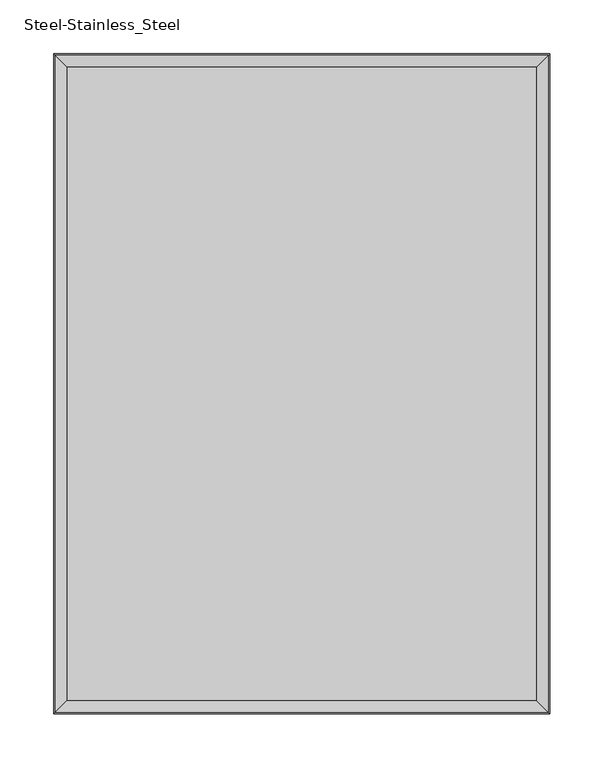
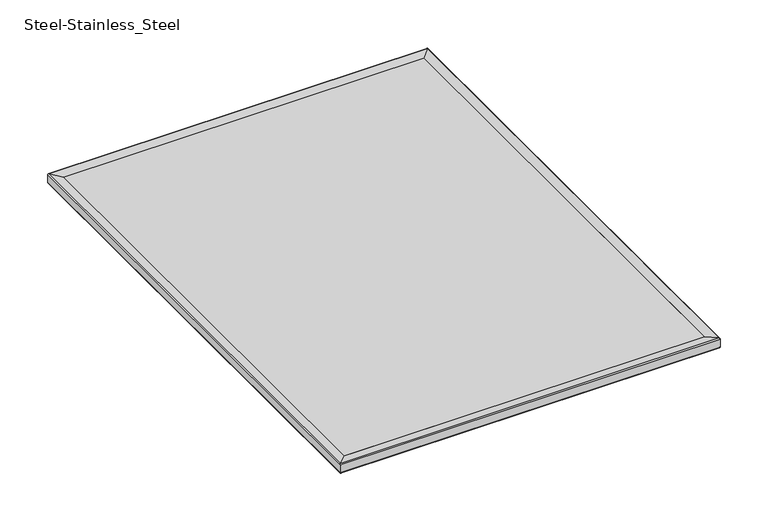
"""IFC4 building model written with IfcOpenShell, lengths in millimetres: proxy geometry, Steel-Stainless_Steel."""

from ifc_helpers import new_model, si_unit, frame, origin, place, context, project, spatial, polyline, circle_curve, ellipse_curve, source, transform, mapped, element, save
from ifc_brep_helpers import plane_surface, cylinder_surface, revolved_surface, advanced_brep


def steel_stainless_steel_c0c0e2ec(model_context):
    return source(origin(), model_context, "Body", "AdvancedBrep", [
        advanced_brep(
        [(217.347165, 293.547165, 11.40206), (-217.347165, 293.547165, 11.40206), (-217.347165, -293.547165, 11.40206), (217.347165, -293.547165, 11.40206), (217.347165, 293.547165, 0.0), (217.347165, -293.547165, 0.0), (-217.347165, -293.547165, 0.0), (-217.347165, 293.547165, 0.0), (-192.925065, 187.9443237, 0.0), (-192.925065, 195.426965, 0.0), (-198.005065, 195.426965, 0.0), (-198.005065, 187.9443237, 0.0), (-201.6984237, 184.250965, 0.0), (-209.181065, 184.250965, 0.0), (-209.181065, 179.170965, 0.0), (-202.196065, 179.170965, 0.0), (-202.196065, 163.930965, 0.0), (-199.656065, 163.930965, 0.0), (-199.656065, 181.710965, 0.0), (-191.274065, 181.710965, 0.0), (-191.274065, 163.930965, 0.0), (-188.734065, 163.930965, 0.0), (-188.734065, 179.170965, 0.0), (-181.749065, 179.170965, 0.0), (-181.749065, 184.250965, 0.0), (-189.2317063, 184.250965, 0.0), (198.119365, 195.426965, 0.0), (193.039365, 195.426965, 0.0), (193.039365, 187.9443237, 0.0), (189.3460063, 184.250965, 0.0), (181.863365, 184.250965, 0.0), (181.863365, 179.170965, 0.0), (188.848365, 179.170965, 0.0), (188.848365, 163.930965, 0.0), (191.388365, 163.930965, 0.0), (191.388365, 181.710965, 0.0), (199.770365, 181.710965, 0.0), (199.770365, 163.930965, 0.0), (202.310365, 163.930965, 0.0), (202.310365, 179.170965, 0.0), (209.295365, 179.170965, 0.0), (209.295365, 184.250965, 0.0), (201.8127237, 184.250965, 0.0), (198.119365, 187.9443237, 0.0), (198.119365, -191.807465, 0.0), (193.039365, -191.807465, 0.0), (193.039365, -199.2901063, 0.0), (189.3460063, -202.983465, 0.0), (181.863365, -202.983465, 0.0), (181.863365, -208.063465, 0.0), (188.848365, -208.063465, 0.0), (188.848365, -223.303465, 0.0), (191.388365, -223.303465, 0.0), (191.388365, -205.523465, 0.0), (199.770365, -205.523465, 0.0), (199.770365, -223.303465, 0.0), (202.310365, -223.303465, 0.0), (202.310365, -208.063465, 0.0), (209.295365, -208.063465, 0.0), (209.295365, -202.983465, 0.0), (201.8127237, -202.983465, 0.0), (198.119365, -199.2901063, 0.0), (-192.925065, -199.2901063, 0.0), (-192.925065, -191.807465, 0.0), (-198.005065, -191.807465, 0.0), (-198.005065, -199.2901063, 0.0), (-201.6984237, -202.983465, 0.0), (-209.181065, -202.983465, 0.0), (-209.181065, -208.063465, 0.0), (-202.196065, -208.063465, 0.0), (-202.196065, -223.303465, 0.0), (-199.656065, -223.303465, 0.0), (-199.656065, -205.523465, 0.0), (-191.274065, -205.523465, 0.0), (-191.274065, -223.303465, 0.0), (-188.734065, -223.303465, 0.0), (-188.734065, -208.063465, 0.0), (-181.749065, -208.063465, 0.0), (-181.749065, -202.983465, 0.0), (-189.2317063, -202.983465, 0.0), (-192.925065, 187.9443237, 3.8928556), (-189.2317063, 184.250965, 3.8928556), (-181.749065, 184.250965, 3.8928556), (-181.749065, 179.170965, 3.8928556), (-188.734065, 179.170965, 3.8928556), (-188.734065, 163.930965, 3.8928556), (-191.274065, 163.930965, 3.8928556), (-191.274065, 181.710965, 3.8928556), (-199.656065, 181.710965, 3.8928556), (-199.656065, 163.930965, 3.8928556), (-202.196065, 163.930965, 3.8928556), (-202.196065, 179.170965, 3.8928556), (-209.181065, 179.170965, 3.8928556), (-209.181065, 184.250965, 3.8928556), (-201.6984237, 184.250965, 3.8928556), (-198.005065, 187.9443237, 3.8928556), (-198.005065, 195.426965, 3.8928556), (-192.925065, 195.426965, 3.8928556), (198.119365, 195.426965, 3.8928556), (198.119365, 187.9443237, 3.8928556), (201.8127237, 184.250965, 3.8928556), (209.295365, 184.250965, 3.8928556), (209.295365, 179.170965, 3.8928556), (202.310365, 179.170965, 3.8928556), (202.310365, 163.930965, 3.8928556), (199.770365, 163.930965, 3.8928556), (199.770365, 181.710965, 3.8928556), (191.388365, 181.710965, 3.8928556), (191.388365, 163.930965, 3.8928556), (188.848365, 163.930965, 3.8928556), (188.848365, 179.170965, 3.8928556), (181.863365, 179.170965, 3.8928556), (181.863365, 184.250965, 3.8928556), (189.3460063, 184.250965, 3.8928556), (193.039365, 187.9443237, 3.8928556), (193.039365, 195.426965, 3.8928556), (198.119365, -191.807465, 3.8928556), (198.119365, -199.2901063, 3.8928556), (201.8127237, -202.983465, 3.8928556), (209.295365, -202.983465, 3.8928556), (209.295365, -208.063465, 3.8928556), (202.310365, -208.063465, 3.8928556), (202.310365, -223.303465, 3.8928556), (199.770365, -223.303465, 3.8928556), (199.770365, -205.523465, 3.8928556), (191.388365, -205.523465, 3.8928556), (191.388365, -223.303465, 3.8928556), (188.848365, -223.303465, 3.8928556), (188.848365, -208.063465, 3.8928556), (181.863365, -208.063465, 3.8928556), (181.863365, -202.983465, 3.8928556), (189.3460063, -202.983465, 3.8928556), (193.039365, -199.2901063, 3.8928556), (193.039365, -191.807465, 3.8928556), (-192.925065, -199.2901063, 3.8928556), (-189.2317063, -202.983465, 3.8928556), (-181.749065, -202.983465, 3.8928556), (-181.749065, -208.063465, 3.8928556), (-188.734065, -208.063465, 3.8928556), (-188.734065, -223.303465, 3.8928556), (-191.274065, -223.303465, 3.8928556), (-191.274065, -205.523465, 3.8928556), (-199.656065, -205.523465, 3.8928556), (-199.656065, -223.303465, 3.8928556), (-202.196065, -223.303465, 3.8928556), (-202.196065, -208.063465, 3.8928556), (-209.181065, -208.063465, 3.8928556), (-209.181065, -202.983465, 3.8928556), (-201.6984237, -202.983465, 3.8928556), (-198.005065, -199.2901063, 3.8928556), (-198.005065, -191.807465, 3.8928556), (-192.925065, -191.807465, 3.8928556)],
        [
            (0, 1),
            (1, 2),
            (2, 3),
            (3, 0),
            (4, 5),
            (5, 6),
            (6, 7),
            (7, 4),
            (8, 9),
            (9, 10, circle_curve(frame((-195.465065, 195.426965, 0.0), z_axis=(0.0, 0.0, 1.0), x_axis=(1.0, 0.0, 0.0)), 2.54)),
            (10, 11),
            (11, 12, circle_curve(frame((-195.465065, 181.710965, 0.0), z_axis=(0.0, 0.0, 1.0), x_axis=(1.0, 0.0, 0.0)), 6.731)),
            (12, 13),
            (13, 14, circle_curve(frame((-209.181065, 181.710965, 0.0), z_axis=(0.0, 0.0, 1.0), x_axis=(1.0, 0.0, 0.0)), 2.54)),
            (14, 15),
            (15, 16),
            (16, 17, circle_curve(frame((-200.926065, 163.930965, 0.0), z_axis=(0.0, 0.0, 1.0), x_axis=(1.0, 0.0, 0.0)), 1.27)),
            (17, 18),
            (18, 19, circle_curve(frame((-195.465065, 181.710965, 0.0), z_axis=(0.0, 0.0, -1.0), x_axis=(1.0, 0.0, 0.0)), 4.191)),
            (19, 20),
            (20, 21, circle_curve(frame((-190.004065, 163.930965, 0.0), z_axis=(0.0, 0.0, 1.0), x_axis=(1.0, 0.0, 0.0)), 1.27)),
            (21, 22),
            (22, 23),
            (23, 24, circle_curve(frame((-181.749065, 181.710965, 0.0), z_axis=(0.0, 0.0, 1.0), x_axis=(1.0, 0.0, 0.0)), 2.54)),
            (24, 25),
            (25, 8, circle_curve(frame((-195.465065, 181.710965, 0.0), z_axis=(0.0, 0.0, 1.0), x_axis=(1.0, 0.0, 0.0)), 6.731)),
            (26, 27, circle_curve(frame((195.579365, 195.426965, 0.0), z_axis=(0.0, 0.0, 1.0), x_axis=(1.0, 0.0, 0.0)), 2.54)),
            (27, 28),
            (28, 29, circle_curve(frame((195.579365, 181.710965, 0.0), z_axis=(0.0, 0.0, 1.0), x_axis=(1.0, 0.0, 0.0)), 6.731)),
            (29, 30),
            (30, 31, circle_curve(frame((181.863365, 181.710965, 0.0), z_axis=(0.0, 0.0, 1.0), x_axis=(1.0, 0.0, 0.0)), 2.54)),
            (31, 32),
            (32, 33),
            (33, 34, circle_curve(frame((190.118365, 163.930965, 0.0), z_axis=(0.0, 0.0, 1.0), x_axis=(1.0, 0.0, 0.0)), 1.27)),
            (34, 35),
            (35, 36, circle_curve(frame((195.579365, 181.710965, 0.0), z_axis=(0.0, 0.0, -1.0), x_axis=(1.0, 0.0, 0.0)), 4.191)),
            (36, 37),
            (37, 38, circle_curve(frame((201.040365, 163.930965, 0.0), z_axis=(0.0, 0.0, 1.0), x_axis=(1.0, 0.0, 0.0)), 1.27)),
            (38, 39),
            (39, 40),
            (40, 41, circle_curve(frame((209.295365, 181.710965, 0.0), z_axis=(0.0, 0.0, 1.0), x_axis=(1.0, 0.0, 0.0)), 2.54)),
            (41, 42),
            (42, 43, circle_curve(frame((195.579365, 181.710965, 0.0), z_axis=(0.0, 0.0, 1.0), x_axis=(1.0, 0.0, 0.0)), 6.731)),
            (43, 26),
            (44, 45, circle_curve(frame((195.579365, -191.807465, 0.0), z_axis=(0.0, 0.0, 1.0), x_axis=(1.0, 0.0, 0.0)), 2.54)),
            (45, 46),
            (46, 47, circle_curve(frame((195.579365, -205.523465, 0.0), z_axis=(0.0, 0.0, 1.0), x_axis=(1.0, 0.0, 0.0)), 6.731)),
            (47, 48),
            (48, 49, circle_curve(frame((181.863365, -205.523465, 0.0), z_axis=(0.0, 0.0, 1.0), x_axis=(1.0, 0.0, 0.0)), 2.54)),
            (49, 50),
            (50, 51),
            (51, 52, circle_curve(frame((190.118365, -223.303465, 0.0), z_axis=(0.0, 0.0, 1.0), x_axis=(1.0, 0.0, 0.0)), 1.27)),
            (52, 53),
            (53, 54, circle_curve(frame((195.579365, -205.523465, 0.0), z_axis=(0.0, 0.0, -1.0), x_axis=(1.0, 0.0, 0.0)), 4.191)),
            (54, 55),
            (55, 56, circle_curve(frame((201.040365, -223.303465, 0.0), z_axis=(0.0, 0.0, 1.0), x_axis=(1.0, 0.0, 0.0)), 1.27)),
            (56, 57),
            (57, 58),
            (58, 59, circle_curve(frame((209.295365, -205.523465, 0.0), z_axis=(0.0, 0.0, 1.0), x_axis=(1.0, 0.0, 0.0)), 2.54)),
            (59, 60),
            (60, 61, circle_curve(frame((195.579365, -205.523465, 0.0), z_axis=(0.0, 0.0, 1.0), x_axis=(1.0, 0.0, 0.0)), 6.731)),
            (61, 44),
            (62, 63),
            (63, 64, circle_curve(frame((-195.465065, -191.807465, 0.0), z_axis=(0.0, 0.0, 1.0), x_axis=(1.0, 0.0, 0.0)), 2.54)),
            (64, 65),
            (65, 66, circle_curve(frame((-195.465065, -205.523465, 0.0), z_axis=(0.0, 0.0, 1.0), x_axis=(1.0, 0.0, 0.0)), 6.731)),
            (66, 67),
            (67, 68, circle_curve(frame((-209.181065, -205.523465, 0.0), z_axis=(0.0, 0.0, 1.0), x_axis=(1.0, 0.0, 0.0)), 2.54)),
            (68, 69),
            (69, 70),
            (70, 71, circle_curve(frame((-200.926065, -223.303465, 0.0), z_axis=(0.0, 0.0, 1.0), x_axis=(1.0, 0.0, 0.0)), 1.27)),
            (71, 72),
            (72, 73, circle_curve(frame((-195.465065, -205.523465, 0.0), z_axis=(0.0, 0.0, -1.0), x_axis=(1.0, 0.0, 0.0)), 4.191)),
            (73, 74),
            (74, 75, circle_curve(frame((-190.004065, -223.303465, 0.0), z_axis=(0.0, 0.0, 1.0), x_axis=(1.0, 0.0, 0.0)), 1.27)),
            (75, 76),
            (76, 77),
            (77, 78, circle_curve(frame((-181.749065, -205.523465, 0.0), z_axis=(0.0, 0.0, 1.0), x_axis=(1.0, 0.0, 0.0)), 2.54)),
            (78, 79),
            (79, 62, circle_curve(frame((-195.465065, -205.523465, 0.0), z_axis=(0.0, 0.0, 1.0), x_axis=(1.0, 0.0, 0.0)), 6.731)),
            (0, 4),
            (7, 1),
            (6, 2),
            (5, 3),
            (80, 81, circle_curve(frame((-195.465065, 181.710965, 3.8928556), z_axis=(0.0, 0.0, -1.0), x_axis=(1.0, 0.0, 0.0)), 6.731)),
            (81, 82),
            (82, 83, circle_curve(frame((-181.749065, 181.710965, 3.8928556), z_axis=(0.0, 0.0, -1.0), x_axis=(1.0, 0.0, 0.0)), 2.54)),
            (83, 84),
            (84, 85),
            (85, 86, circle_curve(frame((-190.004065, 163.930965, 3.8928556), z_axis=(0.0, 0.0, -1.0), x_axis=(1.0, 0.0, 0.0)), 1.27)),
            (86, 87),
            (87, 88, circle_curve(frame((-195.465065, 181.710965, 3.8928556), z_axis=(0.0, 0.0, 1.0), x_axis=(1.0, 0.0, 0.0)), 4.191)),
            (88, 89),
            (89, 90, circle_curve(frame((-200.926065, 163.930965, 3.8928556), z_axis=(0.0, 0.0, -1.0), x_axis=(1.0, 0.0, 0.0)), 1.27)),
            (90, 91),
            (91, 92),
            (92, 93, circle_curve(frame((-209.181065, 181.710965, 3.8928556), z_axis=(0.0, 0.0, -1.0), x_axis=(1.0, 0.0, 0.0)), 2.54)),
            (93, 94),
            (94, 95, circle_curve(frame((-195.465065, 181.710965, 3.8928556), z_axis=(0.0, 0.0, -1.0), x_axis=(1.0, 0.0, 0.0)), 6.731)),
            (95, 96),
            (96, 97, circle_curve(frame((-195.465065, 195.426965, 3.8928556), z_axis=(0.0, 0.0, -1.0), x_axis=(1.0, 0.0, 0.0)), 2.54)),
            (97, 80),
            (98, 99),
            (99, 100, circle_curve(frame((195.579365, 181.710965, 3.8928556), z_axis=(0.0, 0.0, -1.0), x_axis=(1.0, 0.0, 0.0)), 6.731)),
            (100, 101),
            (101, 102, circle_curve(frame((209.295365, 181.710965, 3.8928556), z_axis=(0.0, 0.0, -1.0), x_axis=(1.0, 0.0, 0.0)), 2.54)),
            (102, 103),
            (103, 104),
            (104, 105, circle_curve(frame((201.040365, 163.930965, 3.8928556), z_axis=(0.0, 0.0, -1.0), x_axis=(1.0, 0.0, 0.0)), 1.27)),
            (105, 106),
            (106, 107, circle_curve(frame((195.579365, 181.710965, 3.8928556), z_axis=(0.0, 0.0, 1.0), x_axis=(1.0, 0.0, 0.0)), 4.191)),
            (107, 108),
            (108, 109, circle_curve(frame((190.118365, 163.930965, 3.8928556), z_axis=(0.0, 0.0, -1.0), x_axis=(1.0, 0.0, 0.0)), 1.27)),
            (109, 110),
            (110, 111),
            (111, 112, circle_curve(frame((181.863365, 181.710965, 3.8928556), z_axis=(0.0, 0.0, -1.0), x_axis=(1.0, 0.0, 0.0)), 2.54)),
            (112, 113),
            (113, 114, circle_curve(frame((195.579365, 181.710965, 3.8928556), z_axis=(0.0, 0.0, -1.0), x_axis=(1.0, 0.0, 0.0)), 6.731)),
            (114, 115),
            (115, 98, circle_curve(frame((195.579365, 195.426965, 3.8928556), z_axis=(0.0, 0.0, -1.0), x_axis=(1.0, 0.0, 0.0)), 2.54)),
            (116, 117),
            (117, 118, circle_curve(frame((195.579365, -205.523465, 3.8928556), z_axis=(0.0, 0.0, -1.0), x_axis=(1.0, 0.0, 0.0)), 6.731)),
            (118, 119),
            (119, 120, circle_curve(frame((209.295365, -205.523465, 3.8928556), z_axis=(0.0, 0.0, -1.0), x_axis=(1.0, 0.0, 0.0)), 2.54)),
            (120, 121),
            (121, 122),
            (122, 123, circle_curve(frame((201.040365, -223.303465, 3.8928556), z_axis=(0.0, 0.0, -1.0), x_axis=(1.0, 0.0, 0.0)), 1.27)),
            (123, 124),
            (124, 125, circle_curve(frame((195.579365, -205.523465, 3.8928556), z_axis=(0.0, 0.0, 1.0), x_axis=(1.0, 0.0, 0.0)), 4.191)),
            (125, 126),
            (126, 127, circle_curve(frame((190.118365, -223.303465, 3.8928556), z_axis=(0.0, 0.0, -1.0), x_axis=(1.0, 0.0, 0.0)), 1.27)),
            (127, 128),
            (128, 129),
            (129, 130, circle_curve(frame((181.863365, -205.523465, 3.8928556), z_axis=(0.0, 0.0, -1.0), x_axis=(1.0, 0.0, 0.0)), 2.54)),
            (130, 131),
            (131, 132, circle_curve(frame((195.579365, -205.523465, 3.8928556), z_axis=(0.0, 0.0, -1.0), x_axis=(1.0, 0.0, 0.0)), 6.731)),
            (132, 133),
            (133, 116, circle_curve(frame((195.579365, -191.807465, 3.8928556), z_axis=(0.0, 0.0, -1.0), x_axis=(1.0, 0.0, 0.0)), 2.54)),
            (134, 135, circle_curve(frame((-195.465065, -205.523465, 3.8928556), z_axis=(0.0, 0.0, -1.0), x_axis=(1.0, 0.0, 0.0)), 6.731)),
            (135, 136),
            (136, 137, circle_curve(frame((-181.749065, -205.523465, 3.8928556), z_axis=(0.0, 0.0, -1.0), x_axis=(1.0, 0.0, 0.0)), 2.54)),
            (137, 138),
            (138, 139),
            (139, 140, circle_curve(frame((-190.004065, -223.303465, 3.8928556), z_axis=(0.0, 0.0, -1.0), x_axis=(1.0, 0.0, 0.0)), 1.27)),
            (140, 141),
            (141, 142, circle_curve(frame((-195.465065, -205.523465, 3.8928556), z_axis=(0.0, 0.0, 1.0), x_axis=(1.0, 0.0, 0.0)), 4.191)),
            (142, 143),
            (143, 144, circle_curve(frame((-200.926065, -223.303465, 3.8928556), z_axis=(0.0, 0.0, -1.0), x_axis=(1.0, 0.0, 0.0)), 1.27)),
            (144, 145),
            (145, 146),
            (146, 147, circle_curve(frame((-209.181065, -205.523465, 3.8928556), z_axis=(0.0, 0.0, -1.0), x_axis=(1.0, 0.0, 0.0)), 2.54)),
            (147, 148),
            (148, 149, circle_curve(frame((-195.465065, -205.523465, 3.8928556), z_axis=(0.0, 0.0, -1.0), x_axis=(1.0, 0.0, 0.0)), 6.731)),
            (149, 150),
            (150, 151, circle_curve(frame((-195.465065, -191.807465, 3.8928556), z_axis=(0.0, 0.0, -1.0), x_axis=(1.0, 0.0, 0.0)), 2.54)),
            (151, 134),
            (97, 9),
            (8, 80),
            (96, 10),
            (95, 11),
            (94, 12),
            (93, 13),
            (92, 14),
            (91, 15),
            (90, 16),
            (89, 17),
            (88, 18),
            (87, 19),
            (86, 20),
            (85, 21),
            (84, 22),
            (83, 23),
            (82, 24),
            (81, 25),
            (115, 27),
            (26, 98),
            (114, 28),
            (113, 29),
            (112, 30),
            (111, 31),
            (110, 32),
            (109, 33),
            (108, 34),
            (107, 35),
            (106, 36),
            (105, 37),
            (104, 38),
            (103, 39),
            (102, 40),
            (101, 41),
            (100, 42),
            (99, 43),
            (133, 45),
            (44, 116),
            (132, 46),
            (131, 47),
            (130, 48),
            (129, 49),
            (128, 50),
            (127, 51),
            (126, 52),
            (125, 53),
            (124, 54),
            (123, 55),
            (122, 56),
            (121, 57),
            (120, 58),
            (119, 59),
            (118, 60),
            (117, 61),
            (151, 63),
            (62, 134),
            (150, 64),
            (149, 65),
            (148, 66),
            (147, 67),
            (146, 68),
            (145, 69),
            (144, 70),
            (143, 71),
            (142, 72),
            (141, 73),
            (140, 74),
            (139, 75),
            (138, 76),
            (137, 77),
            (136, 78),
            (135, 79),
        ],
        [
            plane_surface(frame((-217.347165, 293.547165, 11.40206), z_axis=(0.0, 0.0, 1.0), x_axis=(-1.0, 0.0, 0.0))),
            plane_surface(frame((-217.347165, 293.547165, 0.0), z_axis=(0.0, 0.0, -1.0), x_axis=(1.0, 0.0, 0.0))),
            plane_surface(frame((217.347165, 293.547165, 11.40206), z_axis=(0.0, 1.0, 0.0), x_axis=(0.0, 0.0, -1.0))),
            plane_surface(frame((-217.347165, 293.547165, 11.40206), z_axis=(-1.0, 0.0, 0.0), x_axis=(0.0, 0.0, -1.0))),
            plane_surface(frame((-217.347165, -293.547165, 11.40206), z_axis=(0.0, -1.0, 0.0), x_axis=(0.0, 0.0, -1.0))),
            plane_surface(frame((217.347165, -293.547165, 11.40206), z_axis=(1.0, 0.0, 0.0), x_axis=(0.0, 0.0, -1.0))),
            plane_surface(frame((-192.925065, 195.426965, 3.8928556), z_axis=(0.0, 0.0, -1.0), x_axis=(0.0, 1.0, 0.0))),
            plane_surface(frame((-192.925065, 187.9443237, 3.8928556), z_axis=(-1.0, 0.0, 0.0), x_axis=(0.0, 0.0, -1.0))),
            revolved_surface(polyline([(-192.92506500000002, 195.426965, 3.8928556), (-192.92506500000002, 195.426965, 0.0)]), (-195.465065, 195.426965, 0.0), (0.0, 0.0, 1.0)),
            plane_surface(frame((-198.005065, 195.426965, 3.8928556), z_axis=(1.0, 0.0, 0.0), x_axis=(0.0, 0.0, -1.0))),
            revolved_surface(polyline([(-188.73406500000002, 181.710965, 3.8928556), (-188.73406500000002, 181.710965, 0.0)]), (-195.465065, 181.710965, 0.0), (0.0, 0.0, 1.0)),
            plane_surface(frame((-201.6984237, 184.250965, 3.8928556), z_axis=(0.0, -1.0, 0.0), x_axis=(0.0, 0.0, -1.0))),
            revolved_surface(polyline([(-206.641065, 181.710965, 3.8928556), (-206.641065, 181.710965, 0.0)]), (-209.181065, 181.710965, 0.0), (0.0, 0.0, 1.0)),
            plane_surface(frame((-209.181065, 179.170965, 3.8928556), z_axis=(0.0, 1.0, 0.0), x_axis=(0.0, 0.0, -1.0))),
            plane_surface(frame((-202.196065, 179.170965, 3.8928556), z_axis=(1.0, 0.0, 0.0), x_axis=(0.0, 0.0, -1.0))),
            revolved_surface(polyline([(-199.65606499999998, 163.930965, 3.8928556), (-199.65606499999998, 163.930965, 0.0)]), (-200.926065, 163.930965, 0.0), (0.0, 0.0, 1.0)),
            plane_surface(frame((-199.656065, 163.930965, 3.8928556), z_axis=(-1.0, 0.0, 0.0), x_axis=(0.0, 0.0, -1.0))),
            cylinder_surface(frame((-195.465065, 181.710965, 0.0), z_axis=(0.0, 0.0, -1.0), x_axis=(1.0, 0.0, 0.0)), 4.191),
            plane_surface(frame((-191.274065, 181.710965, 3.8928556), z_axis=(1.0, 0.0, 0.0), x_axis=(0.0, 0.0, -1.0))),
            revolved_surface(polyline([(-188.734065, 163.930965, 3.8928556), (-188.734065, 163.930965, 0.0)]), (-190.004065, 163.930965, 0.0), (0.0, 0.0, 1.0)),
            plane_surface(frame((-188.734065, 163.930965, 3.8928556), z_axis=(-1.0, 0.0, 0.0), x_axis=(0.0, 0.0, -1.0))),
            plane_surface(frame((-188.734065, 179.170965, 3.8928556), z_axis=(0.0, 1.0, 0.0), x_axis=(0.0, 0.0, -1.0))),
            revolved_surface(polyline([(-179.209065, 181.710965, 3.8928556), (-179.209065, 181.710965, 0.0)]), (-181.749065, 181.710965, 0.0), (0.0, 0.0, 1.0)),
            plane_surface(frame((-181.749065, 184.250965, 3.8928556), z_axis=(0.0, -1.0, 0.0), x_axis=(0.0, 0.0, -1.0))),
            revolved_surface(polyline([(198.119365, 195.426965, 3.8928556), (198.119365, 195.426965, 0.0)]), (195.579365, 195.426965, 0.0), (0.0, 0.0, 1.0)),
            plane_surface(frame((193.039365, 195.426965, 3.8928556), z_axis=(1.0, 0.0, 0.0), x_axis=(0.0, 0.0, -1.0))),
            revolved_surface(polyline([(202.310365, 181.710965, 3.8928556), (202.310365, 181.710965, 0.0)]), (195.579365, 181.710965, 0.0), (0.0, 0.0, 1.0)),
            plane_surface(frame((189.3460063, 184.250965, 3.8928556), z_axis=(0.0, -1.0, 0.0), x_axis=(0.0, 0.0, -1.0))),
            revolved_surface(polyline([(184.40336499999998, 181.710965, 3.8928556), (184.40336499999998, 181.710965, 0.0)]), (181.863365, 181.710965, 0.0), (0.0, 0.0, 1.0)),
            plane_surface(frame((181.863365, 179.170965, 3.8928556), z_axis=(0.0, 1.0, 0.0), x_axis=(0.0, 0.0, -1.0))),
            plane_surface(frame((188.848365, 179.170965, 3.8928556), z_axis=(1.0, 0.0, 0.0), x_axis=(0.0, 0.0, -1.0))),
            revolved_surface(polyline([(191.38836500000002, 163.930965, 3.8928556), (191.38836500000002, 163.930965, 0.0)]), (190.118365, 163.930965, 0.0), (0.0, 0.0, 1.0)),
            plane_surface(frame((191.388365, 163.930965, 3.8928556), z_axis=(-1.0, 0.0, 0.0), x_axis=(0.0, 0.0, -1.0))),
            cylinder_surface(frame((195.579365, 181.710965, 0.0), z_axis=(0.0, 0.0, -1.0), x_axis=(1.0, 0.0, 0.0)), 4.191),
            plane_surface(frame((199.770365, 181.710965, 3.8928556), z_axis=(1.0, 0.0, 0.0), x_axis=(0.0, 0.0, -1.0))),
            revolved_surface(polyline([(202.31036500000002, 163.930965, 3.8928556), (202.31036500000002, 163.930965, 0.0)]), (201.040365, 163.930965, 0.0), (0.0, 0.0, 1.0)),
            plane_surface(frame((202.310365, 163.930965, 3.8928556), z_axis=(-1.0, 0.0, 0.0), x_axis=(0.0, 0.0, -1.0))),
            plane_surface(frame((202.310365, 179.170965, 3.8928556), z_axis=(0.0, 1.0, 0.0), x_axis=(0.0, 0.0, -1.0))),
            revolved_surface(polyline([(211.835365, 181.710965, 3.8928556), (211.835365, 181.710965, 0.0)]), (209.295365, 181.710965, 0.0), (0.0, 0.0, 1.0)),
            plane_surface(frame((209.295365, 184.250965, 3.8928556), z_axis=(0.0, -1.0, 0.0), x_axis=(0.0, 0.0, -1.0))),
            plane_surface(frame((198.119365, 187.9443237, 3.8928556), z_axis=(-1.0, 0.0, 0.0), x_axis=(0.0, 0.0, -1.0))),
            revolved_surface(polyline([(198.119365, -191.807465, 3.8928556), (198.119365, -191.807465, 0.0)]), (195.579365, -191.807465, 0.0), (0.0, 0.0, 1.0)),
            plane_surface(frame((193.039365, -191.807465, 3.8928556), z_axis=(1.0, 0.0, 0.0), x_axis=(0.0, 0.0, -1.0))),
            revolved_surface(polyline([(202.310365, -205.523465, 3.8928556), (202.310365, -205.523465, 0.0)]), (195.579365, -205.523465, 0.0), (0.0, 0.0, 1.0)),
            plane_surface(frame((189.3460063, -202.983465, 3.8928556), z_axis=(0.0, -1.0, 0.0), x_axis=(0.0, 0.0, -1.0))),
            revolved_surface(polyline([(184.40336499999998, -205.523465, 3.8928556), (184.40336499999998, -205.523465, 0.0)]), (181.863365, -205.523465, 0.0), (0.0, 0.0, 1.0)),
            plane_surface(frame((181.863365, -208.063465, 3.8928556), z_axis=(0.0, 1.0, 0.0), x_axis=(0.0, 0.0, -1.0))),
            plane_surface(frame((188.848365, -208.063465, 3.8928556), z_axis=(1.0, 0.0, 0.0), x_axis=(0.0, 0.0, -1.0))),
            revolved_surface(polyline([(191.38836500000002, -223.303465, 3.8928556), (191.38836500000002, -223.303465, 0.0)]), (190.118365, -223.303465, 0.0), (0.0, 0.0, 1.0)),
            plane_surface(frame((191.388365, -223.303465, 3.8928556), z_axis=(-1.0, 0.0, 0.0), x_axis=(0.0, 0.0, -1.0))),
            cylinder_surface(frame((195.579365, -205.523465, 0.0), z_axis=(0.0, 0.0, -1.0), x_axis=(1.0, 0.0, 0.0)), 4.191),
            plane_surface(frame((199.770365, -205.523465, 3.8928556), z_axis=(1.0, 0.0, 0.0), x_axis=(0.0, 0.0, -1.0))),
            revolved_surface(polyline([(202.31036500000002, -223.303465, 3.8928556), (202.31036500000002, -223.303465, 0.0)]), (201.040365, -223.303465, 0.0), (0.0, 0.0, 1.0)),
            plane_surface(frame((202.310365, -223.303465, 3.8928556), z_axis=(-1.0, 0.0, 0.0), x_axis=(0.0, 0.0, -1.0))),
            plane_surface(frame((202.310365, -208.063465, 3.8928556), z_axis=(0.0, 1.0, 0.0), x_axis=(0.0, 0.0, -1.0))),
            revolved_surface(polyline([(211.835365, -205.523465, 3.8928556), (211.835365, -205.523465, 0.0)]), (209.295365, -205.523465, 0.0), (0.0, 0.0, 1.0)),
            plane_surface(frame((209.295365, -202.983465, 3.8928556), z_axis=(0.0, -1.0, 0.0), x_axis=(0.0, 0.0, -1.0))),
            plane_surface(frame((198.119365, -199.2901063, 3.8928556), z_axis=(-1.0, 0.0, 0.0), x_axis=(0.0, 0.0, -1.0))),
            plane_surface(frame((-192.925065, -199.2901063, 3.8928556), z_axis=(-1.0, 0.0, 0.0), x_axis=(0.0, 0.0, -1.0))),
            revolved_surface(polyline([(-192.92506500000002, -191.807465, 3.8928556), (-192.92506500000002, -191.807465, 0.0)]), (-195.465065, -191.807465, 0.0), (0.0, 0.0, 1.0)),
            plane_surface(frame((-198.005065, -191.807465, 3.8928556), z_axis=(1.0, 0.0, 0.0), x_axis=(0.0, 0.0, -1.0))),
            revolved_surface(polyline([(-188.73406500000002, -205.523465, 3.8928556), (-188.73406500000002, -205.523465, 0.0)]), (-195.465065, -205.523465, 0.0), (0.0, 0.0, 1.0)),
            plane_surface(frame((-201.6984237, -202.983465, 3.8928556), z_axis=(0.0, -1.0, 0.0), x_axis=(0.0, 0.0, -1.0))),
            revolved_surface(polyline([(-206.641065, -205.523465, 3.8928556), (-206.641065, -205.523465, 0.0)]), (-209.181065, -205.523465, 0.0), (0.0, 0.0, 1.0)),
            plane_surface(frame((-209.181065, -208.063465, 3.8928556), z_axis=(0.0, 1.0, 0.0), x_axis=(0.0, 0.0, -1.0))),
            plane_surface(frame((-202.196065, -208.063465, 3.8928556), z_axis=(1.0, 0.0, 0.0), x_axis=(0.0, 0.0, -1.0))),
            revolved_surface(polyline([(-199.65606499999998, -223.303465, 3.8928556), (-199.65606499999998, -223.303465, 0.0)]), (-200.926065, -223.303465, 0.0), (0.0, 0.0, 1.0)),
            plane_surface(frame((-199.656065, -223.303465, 3.8928556), z_axis=(-1.0, 0.0, 0.0), x_axis=(0.0, 0.0, -1.0))),
            cylinder_surface(frame((-195.465065, -205.523465, 0.0), z_axis=(0.0, 0.0, -1.0), x_axis=(1.0, 0.0, 0.0)), 4.191),
            plane_surface(frame((-191.274065, -205.523465, 3.8928556), z_axis=(1.0, 0.0, 0.0), x_axis=(0.0, 0.0, -1.0))),
            revolved_surface(polyline([(-188.734065, -223.303465, 3.8928556), (-188.734065, -223.303465, 0.0)]), (-190.004065, -223.303465, 0.0), (0.0, 0.0, 1.0)),
            plane_surface(frame((-188.734065, -223.303465, 3.8928556), z_axis=(-1.0, 0.0, 0.0), x_axis=(0.0, 0.0, -1.0))),
            plane_surface(frame((-188.734065, -208.063465, 3.8928556), z_axis=(0.0, 1.0, 0.0), x_axis=(0.0, 0.0, -1.0))),
            revolved_surface(polyline([(-179.209065, -205.523465, 3.8928556), (-179.209065, -205.523465, 0.0)]), (-181.749065, -205.523465, 0.0), (0.0, 0.0, 1.0)),
            plane_surface(frame((-181.749065, -202.983465, 3.8928556), z_axis=(0.0, -1.0, 0.0), x_axis=(0.0, 0.0, -1.0))),
        ],
        [
            (0, [[1, 2, 3, 4]]),
            (1, [[5, 6, 7, 8], [9, 10, 11, 12, 13, 14, 15, 16, 17, 18, 19, 20, 21, 22, 23, 24, 25, 26], [27, 28, 29, 30, 31, 32, 33, 34, 35, 36, 37, 38, 39, 40, 41, 42, 43, 44], [45, 46, 47, 48, 49, 50, 51, 52, 53, 54, 55, 56, 57, 58, 59, 60, 61, 62], [63, 64, 65, 66, 67, 68, 69, 70, 71, 72, 73, 74, 75, 76, 77, 78, 79, 80]]),
            (2, [[-1, 81, -8, 82]]),
            (3, [[-2, -82, -7, 83]]),
            (4, [[-3, -83, -6, 84]]),
            (5, [[-4, -84, -5, -81]]),
            (6, [[85, 86, 87, 88, 89, 90, 91, 92, 93, 94, 95, 96, 97, 98, 99, 100, 101, 102]]),
            (6, [[103, 104, 105, 106, 107, 108, 109, 110, 111, 112, 113, 114, 115, 116, 117, 118, 119, 120]]),
            (6, [[121, 122, 123, 124, 125, 126, 127, 128, 129, 130, 131, 132, 133, 134, 135, 136, 137, 138]]),
            (6, [[139, 140, 141, 142, 143, 144, 145, 146, 147, 148, 149, 150, 151, 152, 153, 154, 155, 156]]),
            (7, [[-102, 157, -9, 158]]),
            (8, [[-101, 159, -10, -157]]),
            (9, [[-100, 160, -11, -159]]),
            (10, [[-99, 161, -12, -160]]),
            (11, [[-98, 162, -13, -161]]),
            (12, [[-97, 163, -14, -162]]),
            (13, [[-96, 164, -15, -163]]),
            (14, [[-95, 165, -16, -164]]),
            (15, [[-94, 166, -17, -165]]),
            (16, [[-93, 167, -18, -166]]),
            (17, [[-92, 168, -19, -167]]),
            (18, [[-91, 169, -20, -168]]),
            (19, [[-90, 170, -21, -169]]),
            (20, [[-89, 171, -22, -170]]),
            (21, [[-88, 172, -23, -171]]),
            (22, [[-87, 173, -24, -172]]),
            (23, [[-86, 174, -25, -173]]),
            (10, [[-85, -158, -26, -174]]),
            (24, [[-120, 175, -27, 176]]),
            (25, [[-119, 177, -28, -175]]),
            (26, [[-118, 178, -29, -177]]),
            (27, [[-117, 179, -30, -178]]),
            (28, [[-116, 180, -31, -179]]),
            (29, [[-115, 181, -32, -180]]),
            (30, [[-114, 182, -33, -181]]),
            (31, [[-113, 183, -34, -182]]),
            (32, [[-112, 184, -35, -183]]),
            (33, [[-111, 185, -36, -184]]),
            (34, [[-110, 186, -37, -185]]),
            (35, [[-109, 187, -38, -186]]),
            (36, [[-108, 188, -39, -187]]),
            (37, [[-107, 189, -40, -188]]),
            (38, [[-106, 190, -41, -189]]),
            (39, [[-105, 191, -42, -190]]),
            (26, [[-104, 192, -43, -191]]),
            (40, [[-103, -176, -44, -192]]),
            (41, [[-138, 193, -45, 194]]),
            (42, [[-137, 195, -46, -193]]),
            (43, [[-136, 196, -47, -195]]),
            (44, [[-135, 197, -48, -196]]),
            (45, [[-134, 198, -49, -197]]),
            (46, [[-133, 199, -50, -198]]),
            (47, [[-132, 200, -51, -199]]),
            (48, [[-131, 201, -52, -200]]),
            (49, [[-130, 202, -53, -201]]),
            (50, [[-129, 203, -54, -202]]),
            (51, [[-128, 204, -55, -203]]),
            (52, [[-127, 205, -56, -204]]),
            (53, [[-126, 206, -57, -205]]),
            (54, [[-125, 207, -58, -206]]),
            (55, [[-124, 208, -59, -207]]),
            (56, [[-123, 209, -60, -208]]),
            (43, [[-122, 210, -61, -209]]),
            (57, [[-121, -194, -62, -210]]),
            (58, [[-156, 211, -63, 212]]),
            (59, [[-155, 213, -64, -211]]),
            (60, [[-154, 214, -65, -213]]),
            (61, [[-153, 215, -66, -214]]),
            (62, [[-152, 216, -67, -215]]),
            (63, [[-151, 217, -68, -216]]),
            (64, [[-150, 218, -69, -217]]),
            (65, [[-149, 219, -70, -218]]),
            (66, [[-148, 220, -71, -219]]),
            (67, [[-147, 221, -72, -220]]),
            (68, [[-146, 222, -73, -221]]),
            (69, [[-145, 223, -74, -222]]),
            (70, [[-144, 224, -75, -223]]),
            (71, [[-143, 225, -76, -224]]),
            (72, [[-142, 226, -77, -225]]),
            (73, [[-141, 227, -78, -226]]),
            (74, [[-140, 228, -79, -227]]),
            (61, [[-139, -212, -80, -228]]),
        ],
    ),
        advanced_brep(
        [(-228.599365, 304.799365, 0.0), (-229.790625, 305.990625, 1.19126), (229.790625, 305.990625, 1.19126), (228.599365, 304.799365, 0.0), (-217.347165, 293.547165, 11.40206), (-217.347165, 293.547165, 0.0), (217.347165, 293.547165, 0.0), (217.347165, 293.547165, 11.40206), (-228.499944, 304.699944, 12.59332), (228.499944, 304.699944, 12.59332), (-229.790625, 305.990625, 11.40206), (229.790625, 305.990625, 11.40206), (229.790625, -305.990625, 1.19126), (228.599365, -304.799365, 0.0), (217.347165, -293.547165, 0.0), (217.347165, -293.547165, 11.40206), (228.499944, -304.699944, 12.59332), (229.790625, -305.990625, 11.40206), (-229.790625, -305.990625, 1.19126), (-228.599365, -304.799365, 0.0), (-217.347165, -293.547165, 0.0), (-217.347165, -293.547165, 11.40206), (-228.499944, -304.699944, 12.59332), (-229.790625, -305.990625, 11.40206)],
        [
            (0, 1, ellipse_curve(frame((-228.599365, 304.799365, 1.19126), z_axis=(0.7071067811865475, 0.7071067811865475, 0.0), x_axis=(-0.7071067811865476, 0.7071067811865474, 0.0)), 1.684696, 1.19126)),
            (1, 2),
            (2, 3, ellipse_curve(frame((228.599365, 304.799365, 1.19126), z_axis=(-0.7071067811865475, 0.7071067811865475, 0.0), x_axis=(-0.7071067811865476, -0.7071067811865474, 0.0)), 1.684696, 1.19126)),
            (3, 0),
            (4, 5),
            (5, 6),
            (6, 7),
            (7, 4),
            (8, 4),
            (7, 9),
            (9, 8),
            (10, 8, ellipse_curve(frame((-228.5955358, 304.7955358, 11.40206), z_axis=(0.7071067811865475, 0.7071067811865475, 0.0), x_axis=(-0.7071067811865476, 0.7071067811865474, 0.0)), 1.6901113, 1.1950892)),
            (9, 11, ellipse_curve(frame((228.5955358, 304.7955358, 11.40206), z_axis=(-0.7071067811865475, 0.7071067811865475, 0.0), x_axis=(-0.7071067811865476, -0.7071067811865474, 0.0)), 1.6901113, 1.1950892)),
            (11, 10),
            (1, 10),
            (11, 2),
            (2, 12),
            (12, 13, ellipse_curve(frame((228.599365, -304.799365, 1.19126), z_axis=(0.7071067811865475, 0.7071067811865475, 0.0), x_axis=(-0.7071067811865474, 0.7071067811865476, 0.0)), 1.684696, 1.19126)),
            (13, 3),
            (6, 14),
            (14, 15),
            (15, 7),
            (15, 16),
            (16, 9),
            (16, 17, ellipse_curve(frame((228.5955358, -304.7955358, 11.40206), z_axis=(0.7071067811865475, 0.7071067811865475, 0.0), x_axis=(-0.7071067811865474, 0.7071067811865476, 0.0)), 1.6901113, 1.1950892)),
            (17, 11),
            (17, 12),
            (12, 18),
            (18, 19, ellipse_curve(frame((-228.599365, -304.799365, 1.19126), z_axis=(0.7071067811865475, -0.7071067811865475, 0.0), x_axis=(0.7071067811865476, 0.7071067811865474, 0.0)), 1.684696, 1.19126)),
            (19, 13),
            (14, 20),
            (20, 21),
            (21, 15),
            (21, 22),
            (22, 16),
            (22, 23, ellipse_curve(frame((-228.5955358, -304.7955358, 11.40206), z_axis=(0.7071067811865475, -0.7071067811865475, 0.0), x_axis=(0.7071067811865476, 0.7071067811865474, 0.0)), 1.6901113, 1.1950892)),
            (23, 17),
            (23, 18),
            (18, 1),
            (0, 19),
            (5, 20),
            (4, 21),
            (8, 22),
            (10, 23),
        ],
        [
            cylinder_surface(frame((-217.347165, 304.799365, 1.19126), z_axis=(-1.0, 0.0, 0.0), x_axis=(0.0, 1.0, 0.0)), 1.19126),
            plane_surface(frame((-217.347165, 293.547165, 0.0), z_axis=(0.0, -1.0, 0.0), x_axis=(1.0, 0.0, 0.0))),
            plane_surface(frame((-217.347165, 293.547165, 11.40206), z_axis=(0.0, -0.10620869205284973, 0.9943438609115174), x_axis=(1.0, 0.0, 0.0))),
            cylinder_surface(frame((-217.347165, 304.7955358, 11.40206), z_axis=(-1.0, 0.0, 0.0), x_axis=(0.0, 1.0, 0.0)), 1.1950892),
            plane_surface(frame((-229.790625, 305.990625, 11.40206), z_axis=(0.0, 1.0, 0.0), x_axis=(1.0, 0.0, 0.0))),
            cylinder_surface(frame((228.599365, 293.547165, 1.19126), z_axis=(0.0, 1.0, 0.0), x_axis=(1.0, 0.0, 0.0)), 1.19126),
            plane_surface(frame((217.347165, 293.547165, 0.0), z_axis=(-1.0, 0.0, 0.0), x_axis=(0.0, -1.0, 0.0))),
            plane_surface(frame((217.347165, 293.547165, 11.40206), z_axis=(-0.10620869205284973, 0.0, 0.9943438609115174), x_axis=(0.0, -1.0, 0.0))),
            cylinder_surface(frame((228.5955358, 293.547165, 11.40206), z_axis=(0.0, 1.0, 0.0), x_axis=(1.0, 0.0, 0.0)), 1.1950892),
            plane_surface(frame((229.790625, 305.990625, 11.40206), z_axis=(1.0, 0.0, 0.0), x_axis=(0.0, -1.0, 0.0))),
            cylinder_surface(frame((217.347165, -304.799365, 1.19126), z_axis=(1.0, 0.0, 0.0), x_axis=(0.0, -1.0, 0.0)), 1.19126),
            plane_surface(frame((217.347165, -293.547165, 0.0), z_axis=(0.0, 1.0, 0.0), x_axis=(-1.0, 0.0, 0.0))),
            plane_surface(frame((217.347165, -293.547165, 11.40206), z_axis=(0.0, 0.10620869205284973, 0.9943438609115174), x_axis=(-1.0, 0.0, 0.0))),
            cylinder_surface(frame((217.347165, -304.7955358, 11.40206), z_axis=(1.0, 0.0, 0.0), x_axis=(0.0, -1.0, 0.0)), 1.1950892),
            plane_surface(frame((229.790625, -305.990625, 11.40206), z_axis=(0.0, -1.0, 0.0), x_axis=(-1.0, 0.0, 0.0))),
            cylinder_surface(frame((-228.599365, -293.547165, 1.19126), z_axis=(0.0, -1.0, 0.0), x_axis=(-1.0, 0.0, 0.0)), 1.19126),
            plane_surface(frame((-228.599365, -304.799365, 0.0), z_axis=(0.0, 0.0, -1.0), x_axis=(0.0, 1.0, 0.0))),
            plane_surface(frame((-217.347165, -293.547165, 0.0), z_axis=(1.0, 0.0, 0.0), x_axis=(0.0, 1.0, 0.0))),
            plane_surface(frame((-217.347165, -293.547165, 11.40206), z_axis=(0.10620869205284973, 0.0, 0.9943438609115174), x_axis=(0.0, 1.0, 0.0))),
            cylinder_surface(frame((-228.5955358, -293.547165, 11.40206), z_axis=(0.0, -1.0, 0.0), x_axis=(-1.0, 0.0, 0.0)), 1.1950892),
            plane_surface(frame((-229.790625, -305.990625, 11.40206), z_axis=(-1.0, 0.0, 0.0), x_axis=(0.0, 1.0, 0.0))),
        ],
        [
            (0, [[1, 2, 3, 4]]),
            (1, [[5, 6, 7, 8]]),
            (2, [[9, -8, 10, 11]]),
            (3, [[12, -11, 13, 14]]),
            (4, [[15, -14, 16, -2]]),
            (5, [[-3, 17, 18, 19]]),
            (6, [[-7, 20, 21, 22]]),
            (7, [[-10, -22, 23, 24]]),
            (8, [[-13, -24, 25, 26]]),
            (9, [[-16, -26, 27, -17]]),
            (10, [[-18, 28, 29, 30]]),
            (11, [[-21, 31, 32, 33]]),
            (12, [[-23, -33, 34, 35]]),
            (13, [[-25, -35, 36, 37]]),
            (14, [[-27, -37, 38, -28]]),
            (15, [[-29, 39, -1, 40]]),
            (16, [[-19, -30, -40, -4], [41, -31, -20, -6]]),
            (17, [[-32, -41, -5, 42]]),
            (18, [[-34, -42, -9, 43]]),
            (19, [[-36, -43, -12, 44]]),
            (20, [[-38, -44, -15, -39]]),
        ],
    ),
    ])


if __name__ == "__main__":
    model = new_model("IFC4")
    model_context = context("Model", 3, world=origin())
    ifc_project = project(units=[si_unit("LENGTHUNIT", "METRE", prefix="MILLI")], contexts=[model_context])
    site = spatial("IfcSite", under=ifc_project)
    building = spatial("IfcBuilding", under=site)
    placement = place(None, origin())
    steel_stainless_steel_shape = steel_stainless_steel_c0c0e2ec(model_context)
    element("IfcBuildingElementProxy", 1, Name="Steel-Stainless_Steel", ObjectType="Steel-Stainless_Steel", at=placement, inside=building, context=model_context, shape_type="MappedRepresentation", body=[
        mapped(steel_stainless_steel_shape, transform((0.0, 0.0, 0.0), x_axis=(1.0, 0.0, 0.0), y_axis=(0.0, 1.0, 0.0), z_axis=(0.0, 0.0, 1.0))),
    ])
    save(model, "model.ifc")
